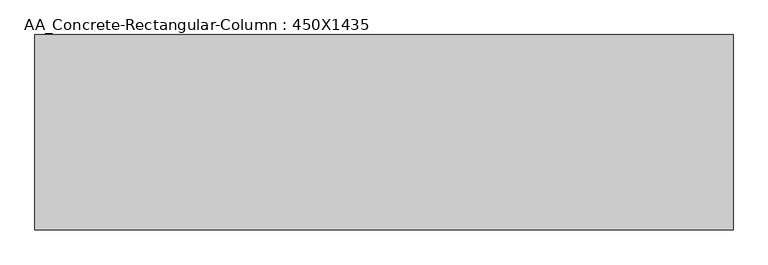
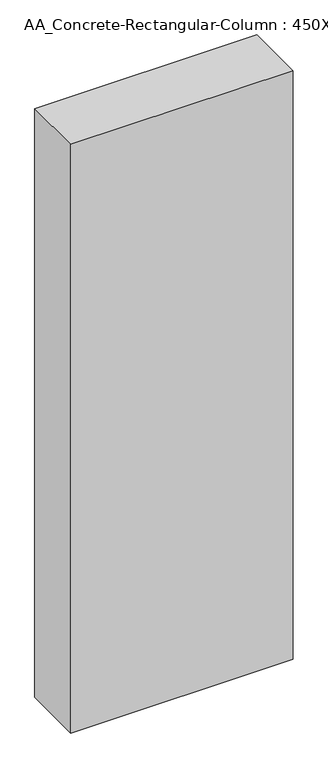
"""IFC4 building model written with IfcOpenShell, lengths in millimetres: column geometry, AA_Concrete-Rectangular-Column : 450X1435."""

from ifc_helpers import new_model, si_unit, origin, origin_with_axes, place, context, project, spatial, polyline, outline, extrude, source, transform, mapped, element, save


def aa_concrete_rectangular_column_450x1435_a00adee6(model_context):
    return source(origin(), model_context, "Body", "SweptSolid", [
        extrude(outline(polyline([(715.0, 200.0), (715.0, -200.0), (-715.0, -200.0), (-715.0, 200.0), (715.0, 200.0)])), origin_with_axes(), (0.0, 0.0, 1.0), 4000.0),
    ])


if __name__ == "__main__":
    model = new_model("IFC4")
    model_context = context("Model", 3, world=origin())
    ifc_project = project(units=[si_unit("LENGTHUNIT", "METRE", prefix="MILLI")], contexts=[model_context])
    site = spatial("IfcSite", under=ifc_project)
    building = spatial("IfcBuilding", under=site)
    placement = place(None, origin())
    aa_concrete_rectangular_column_450x1435_shape = aa_concrete_rectangular_column_450x1435_a00adee6(model_context)
    element("IfcColumn", 1, ObjectType="AA_Concrete-Rectangular-Column : 450X1435", at=placement, inside=building, context=model_context, shape_type="MappedRepresentation", body=[
        mapped(aa_concrete_rectangular_column_450x1435_shape, transform((0.0, 0.0, 0.0), x_axis=(1.0, 0.0, 0.0), y_axis=(0.0, 1.0, 0.0), z_axis=(0.0, 0.0, 1.0))),
    ])
    save(model, "model.ifc")
